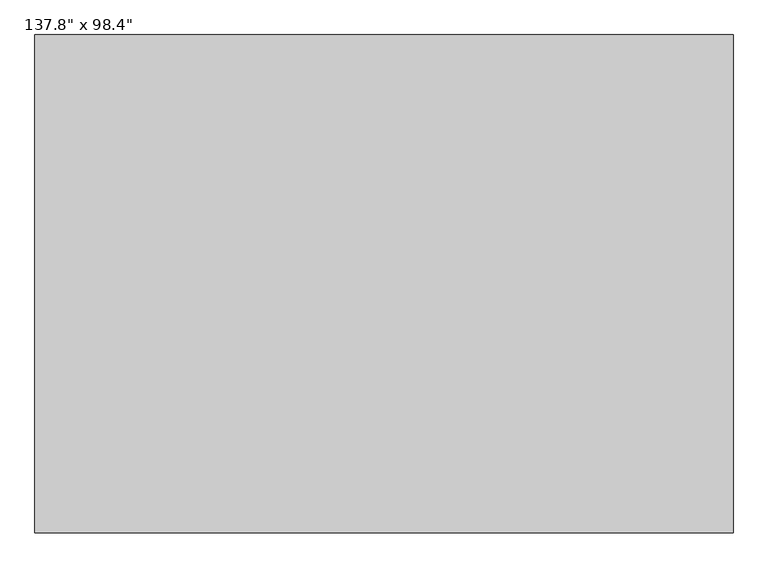
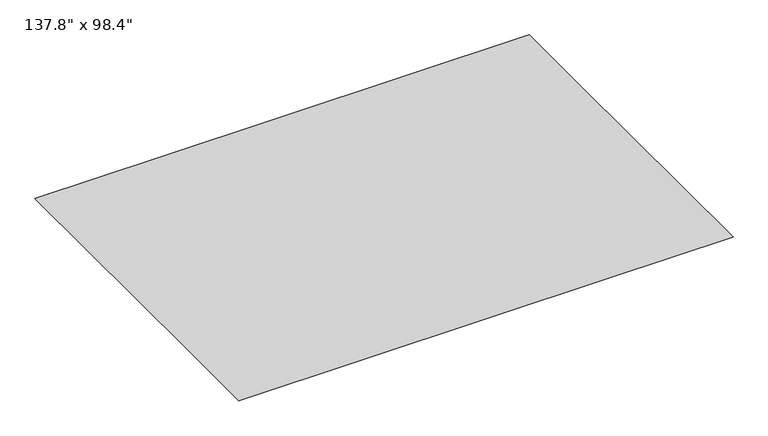
"""IFC4 building model written with IfcOpenShell, lengths in millimetres: furniture geometry."""

from ifc_helpers import new_model, si_unit, origin, place, context, project, spatial, triangles, source, transform, mapped, element, save


def furniture_41a9a24e(model_context):
    return source(origin(), model_context, "Body", "Tessellation", [
        triangles([(-1750.0600388, -1249.6802616, 0.80384), (-875.0300194, -1249.6801163, 0.80384), (-1750.0601841, -624.8401308, 0.80384), (6.95e-05, -1249.6801163, 0.80384), (-875.0300194, -624.8400581, 0.80384), (875.0301647, -1249.6801163, 0.80384), (3.48e-05, -624.8399855, 0.80384), (1750.0603294, -1249.6799709, 0.80384), (875.0301647, -624.8399855, 0.80384), (1750.0601841, -624.8399128, 0.80384), (-1750.0601841, -9.74e-05, 0.80384), (-875.030092, -4.87e-05, 0.80384), (0.0, 0.0, 0.80384), (875.030092, 4.87e-05, 0.80384), (1750.0601841, 9.74e-05, 0.80384), (-1750.0601841, 624.8399855, 0.80384), (-875.0301647, 624.8400581, 0.80384), (-3.48e-05, 624.8401308, 0.80384), (875.0300194, 624.8402035, 0.80384), (1750.0601841, 624.8402761, 0.80384), (-1750.0603294, 1249.6799709, 0.80384), (-875.0301647, 1249.6801163, 0.80384), (-6.95e-05, 1249.6801163, 0.80384), (875.0300194, 1249.6801163, 0.80384), (1750.0600388, 1249.6802616, 0.80384)], [[1, 2, 3], [2, 4, 5], [2, 5, 3], [4, 6, 7], [4, 7, 5], [6, 8, 9], [6, 9, 7], [8, 10, 9], [3, 5, 11], [5, 7, 12], [5, 12, 11], [7, 9, 13], [7, 13, 12], [9, 10, 14], [9, 14, 13], [10, 15, 14], [11, 12, 16], [12, 13, 17], [12, 17, 16], [13, 14, 18], [13, 18, 17], [14, 15, 19], [14, 19, 18], [15, 20, 19], [16, 17, 21], [17, 18, 22], [17, 22, 21], [18, 19, 23], [18, 23, 22], [19, 20, 24], [19, 24, 23], [20, 25, 24]], closed=False),
    ])


if __name__ == "__main__":
    model = new_model("IFC4")
    model_context = context("Model", 3, world=origin())
    ifc_project = project(units=[si_unit("LENGTHUNIT", "METRE", prefix="MILLI")], contexts=[model_context])
    site = spatial("IfcSite", under=ifc_project)
    building = spatial("IfcBuilding", under=site)
    placement = place(None, origin())
    furniture_shape = furniture_41a9a24e(model_context)
    element("IfcFurniture", 1, ObjectType="137.8\" x 98.4\"", at=placement, inside=building, context=model_context, shape_type="MappedRepresentation", body=[
        mapped(furniture_shape, transform((0.0, 0.0, 0.0), x_axis=(1.0, 0.0, 0.0), y_axis=(0.0, 1.0, 0.0), z_axis=(0.0, 0.0, 1.0))),
    ])
    save(model, "model.ifc")
